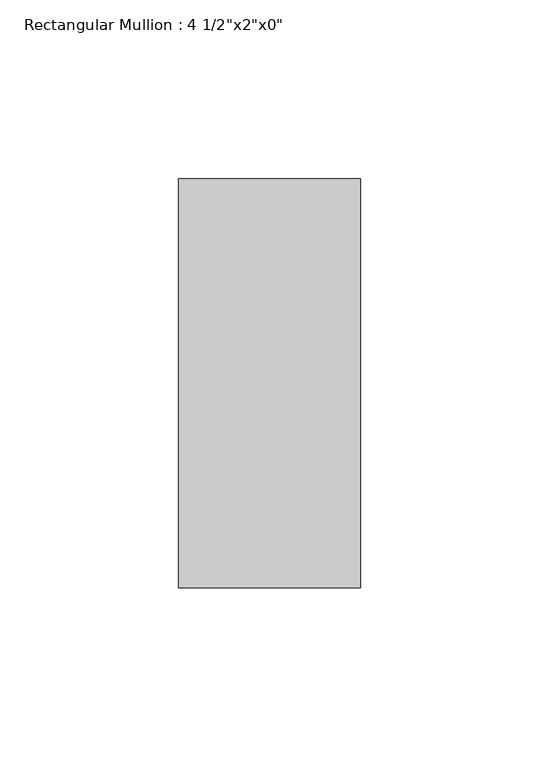
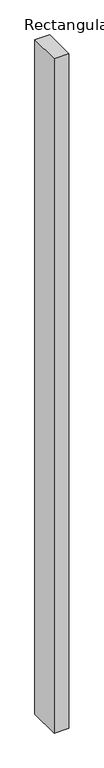
"""IFC4 building model written with IfcOpenShell, lengths in millimetres: member geometry."""

from ifc_helpers import new_model, si_unit, frame, origin, place, context, project, spatial, polyline, outline, extrude, source, transform, mapped, element, save


def member_b760a079(model_context):
    return source(origin(), model_context, "Body", "SweptSolid", [
        extrude(outline(polyline([(0.0, 57.15), (0.0, -57.15), (-50.8, -57.15), (-50.8, 57.15), (0.0, 57.15)])), frame((0.0, 0.0, -2449.3439324), z_axis=(0.0, 0.0, 1.0), x_axis=(1.0, 0.0, 0.0)), (0.0, 0.0, 1.0), 2449.3439324),
    ])


if __name__ == "__main__":
    model = new_model("IFC4")
    model_context = context("Model", 3, world=origin())
    ifc_project = project(units=[si_unit("LENGTHUNIT", "METRE", prefix="MILLI")], contexts=[model_context])
    site = spatial("IfcSite", under=ifc_project)
    building = spatial("IfcBuilding", under=site)
    placement = place(None, origin())
    member_shape = member_b760a079(model_context)
    element("IfcMember", 1, ObjectType="Rectangular Mullion : 4 1/2\"x2\"x0\"", at=placement, inside=building, context=model_context, shape_type="MappedRepresentation", body=[
        mapped(member_shape, transform((0.0, 0.0, 0.0), x_axis=(1.0, 0.0, 0.0), y_axis=(0.0, 1.0, 0.0), z_axis=(0.0, 0.0, 1.0))),
    ])
    save(model, "model.ifc")
